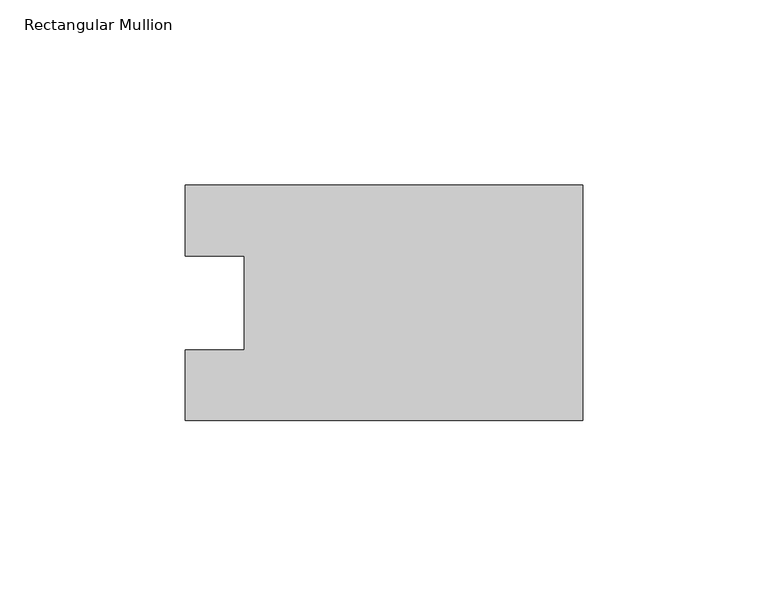
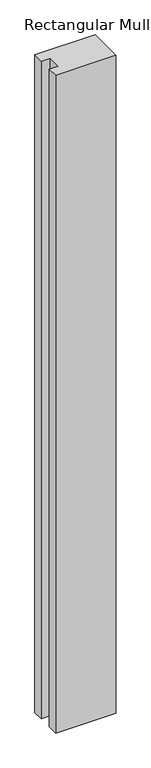
"""IFC4 building model written with IfcOpenShell, lengths in millimetres: member geometry, Rectangular Mullion."""

from ifc_helpers import new_model, si_unit, frame, origin, place, context, project, spatial, polyline, outline, extrude, source, transform, mapped, element, save


def rectangular_mullion_7da3c06f(model_context):
    return source(origin(), model_context, "Body", "SweptSolid", [
        extrude(outline(polyline([(0.0, -31.7489583), (-107.0607968, -31.7489583), (-107.0607968, -12.7), (-91.1857968, -12.7), (-91.1857968, 12.7), (-107.0607968, 12.7), (-107.0607968, 31.7489583), (0.0, 31.7489583), (0.0, -31.7489583)])), frame((0.0, 0.0, -1233.5764), z_axis=(0.0, 0.0, 1.0), x_axis=(1.0, 0.0, 0.0)), (0.0, 0.0, 1.0), 1233.5764),
    ])


if __name__ == "__main__":
    model = new_model("IFC4")
    model_context = context("Model", 3, world=origin())
    ifc_project = project(units=[si_unit("LENGTHUNIT", "METRE", prefix="MILLI")], contexts=[model_context])
    site = spatial("IfcSite", under=ifc_project)
    building = spatial("IfcBuilding", under=site)
    placement = place(None, origin())
    rectangular_mullion_shape = rectangular_mullion_7da3c06f(model_context)
    element("IfcMember", 1, ObjectType="Rectangular Mullion", at=placement, inside=building, context=model_context, shape_type="MappedRepresentation", body=[
        mapped(rectangular_mullion_shape, transform((0.0, 0.0, 0.0), x_axis=(1.0, 0.0, 0.0), y_axis=(0.0, 1.0, 0.0), z_axis=(0.0, 0.0, 1.0))),
    ])
    save(model, "model.ifc")
